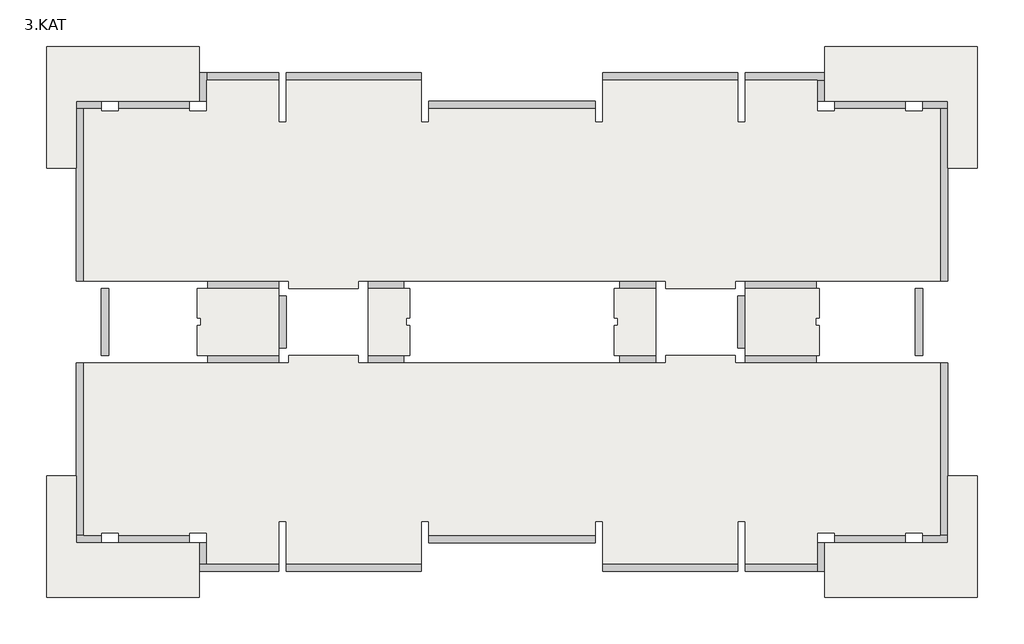
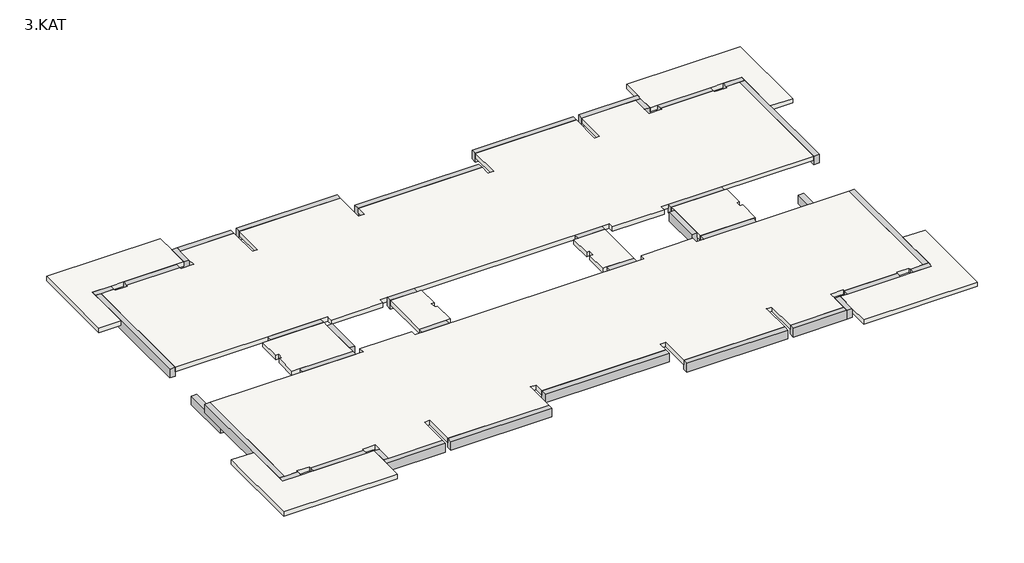
# One storey: 38 beams, 10 slabs.
"""IFC4 building model written with IfcOpenShell, lengths in millimetres."""

from ifc_helpers import new_model, si_unit, frame, origin, place, context, project, spatial, polyline, outline, extrude, faceted_brep, element, save

model = new_model("IFC4")

# Units and contexts
model_context = context("Model", 3, world=origin())
ifc_project = project(units=[si_unit("LENGTHUNIT", "METRE", prefix="MILLI")], contexts=[model_context])

# Site, building, storey
site = spatial("IfcSite", under=ifc_project)
building = spatial("IfcBuilding", under=site)
storey = spatial("IfcBuildingStorey", under=building, Name="3.KAT", Elevation=10000.0)

# Beams
placement = place(None, origin())
element("IfcBeam", 1, ObjectType="0300x0500mm", at=placement, inside=storey, context=model_context, shape_type="SweptSolid", body=[
    extrude(outline(polyline([(-3363.9153603, 12013.7202154), (-3363.9153603, 11713.7202154), (-8813.9168166, 11713.7202154), (-8813.9168166, 12013.7202154), (-3363.9153603, 12013.7202154)])), frame((0.0, 0.0, 9500.0), z_axis=(0.0, 0.0, 1.0), x_axis=(1.0, 0.0, 0.0)), (0.0, 0.0, 1.0), 500.0),
])
element("IfcBeam", 2, ObjectType="0300x0500mm", at=placement, inside=storey, context=model_context, shape_type="Brep", body=[
    faceted_brep([(3636.085408, 10863.7380253, 10000.0), (-3063.9160613, 10863.7380253, 10000.0), (-3063.9160613, 10563.7380253, 10000.0), (3636.085408, 10563.7380253, 10000.0), (-3063.9160613, 10563.7380253, 9750.0), (-3063.9160613, 10563.7380253, 9500.0), (3636.085408, 10563.7380253, 9500.0), (3636.085408, 10563.7380253, 9750.0), (-3063.9160613, 10863.7380253, 9500.0), (3636.085408, 10863.7380253, 9500.0)], [[[0, 1, 2, 3]], [[3, 2, 4, 5, 6, 7]], [[6, 5, 8, 9]], [[1, 0, 9, 8]], [[1, 8, 5, 4, 2]], [[0, 3, 7, 6, 9]]]),
])
element("IfcBeam", 3, ObjectType="0300x0500mm", at=placement, inside=storey, context=model_context, shape_type="SweptSolid", body=[
    extrude(outline(polyline([(9386.0205348, 12013.7202154), (9386.0205348, 11713.7202154), (3936.0190785, 11713.7202154), (3936.0190785, 12013.7202154), (9386.0205348, 12013.7202154)])), frame((0.0, 0.0, 9500.0), z_axis=(0.0, 0.0, 1.0), x_axis=(1.0, 0.0, 0.0)), (0.0, 0.0, 1.0), 500.0),
])
element("IfcBeam", 4, ObjectType="0300x0500mm", at=placement, inside=storey, context=model_context, shape_type="Brep", body=[
    faceted_brep([(9686.0846432, 12013.7202154, 10000.0), (9686.0846432, 11713.7202154, 10000.0), (12586.0195429, 11713.7202154, 10000.0), (12886.0195429, 11713.7202154, 10000.0), (12886.0195429, 12013.7202154, 10000.0), (9686.0846432, 11713.7202154, 9500.0), (12586.0195429, 11713.7202154, 9500.0), (12886.0195429, 11713.7202154, 9500.0), (9686.0846432, 12013.7202154, 9500.0), (12886.0195429, 12013.7202154, 9500.0)], [[[0, 1, 2, 3, 4]], [[1, 5, 6, 7, 3, 2]], [[5, 8, 9, 7, 6]], [[8, 0, 4, 9]], [[4, 3, 7, 9]], [[0, 8, 5, 1]]]),
])
element("IfcBeam", 5, ObjectType="0300x0500mm", at=placement, inside=storey, context=model_context, shape_type="Brep", body=[
    faceted_brep([(12886.0195429, 10863.734431, 10000.0), (12886.0195429, 11713.7202154, 10000.0), (12586.0195429, 11713.7202154, 10000.0), (12586.0195429, 10863.734431, 10000.0), (12586.0195429, 11713.7202154, 9750.0), (12586.0195429, 11713.7202154, 9500.0), (12586.0195429, 10863.734431, 9500.0), (12586.0195429, 10863.734431, 9750.0), (12886.0195429, 11713.7202154, 9500.0), (12886.0195429, 10863.734431, 9500.0)], [[[0, 1, 2, 3]], [[3, 2, 4, 5, 6, 7]], [[6, 5, 8, 9]], [[1, 0, 9, 8]], [[2, 1, 8, 5, 4]], [[0, 3, 7, 6, 9]]]),
])
element("IfcBeam", 6, ObjectType="0300x0500mm", at=placement, inside=storey, context=model_context, shape_type="Brep", body=[
    faceted_brep([(16136.0518591, 10863.7341752, 10000.0), (13286.0518591, 10863.7341752, 10000.0), (13286.0518591, 10563.7341752, 10000.0), (16136.0518591, 10563.7341752, 10000.0), (13286.0518591, 10563.7341752, 9750.0), (13286.0518591, 10563.7341752, 9500.0), (16136.0518591, 10563.7341752, 9500.0), (16136.0518591, 10563.7341752, 9750.0), (13286.0518591, 10863.7341752, 9500.0), (16136.0518591, 10863.7341752, 9500.0), (16136.0518591, 10863.7341752, 9750.0), (13286.0518591, 10863.7341752, 9750.0)], [[[0, 1, 2, 3]], [[3, 2, 4, 5, 6, 7]], [[6, 5, 8, 9]], [[1, 0, 10, 9, 8, 11]], [[0, 3, 7, 6, 9, 10]], [[8, 5, 4, 2, 1, 11]]]),
])
element("IfcBeam", 7, ObjectType="0300x0500mm", at=placement, inside=storey, context=model_context, shape_type="Brep", body=[
    faceted_brep([(17836.0513856, 10863.7341752, 10000.0), (16836.0513856, 10863.7341752, 10000.0), (16836.0513856, 10563.7341752, 10000.0), (17536.0197797, 10563.7341752, 10000.0), (17836.0513856, 10563.7341752, 10000.0), (16836.0513856, 10563.7341752, 9500.0), (17536.0513856, 10563.7341752, 9500.0), (17836.0513856, 10563.7341752, 9500.0), (17836.0513856, 10563.7341752, 9750.0), (16836.0513856, 10563.7341752, 9750.0), (16836.0513856, 10863.7341752, 9500.0), (17836.0513856, 10863.7341752, 9500.0), (17836.0513856, 10863.7341752, 9750.0), (16836.0513856, 10863.7341752, 9750.0)], [[[0, 1, 2, 3, 4]], [[5, 6, 7, 8, 4, 3, 2, 9]], [[7, 6, 5, 10, 11]], [[1, 0, 12, 11, 10, 13]], [[0, 4, 8, 7, 11, 12]], [[10, 5, 9, 2, 1, 13]]]),
])
element("IfcBeam", 8, ObjectType="0300x0500mm", at=placement, inside=storey, context=model_context, shape_type="Brep", body=[
    faceted_brep([(17836.0513856, 3613.7341795, 10000.0), (17536.0513856, 3613.7341795, 10000.0), (17536.0513856, 3613.7341795, 9500.0), (17836.0513856, 3613.7341795, 9500.0), (17836.0513856, 8163.7342066, 10000.0), (17836.0513856, 10563.7341752, 10000.0), (17536.0513856, 10563.7341752, 10000.0), (17536.0513856, 10563.7341752, 9500.0), (17836.0513856, 10563.7341752, 9500.0), (17836.0513856, 10563.7341752, 9750.0)], [[[0, 1, 2, 3]], [[1, 0, 4, 5, 6]], [[2, 1, 6, 7]], [[3, 2, 7, 8]], [[0, 3, 8, 9, 5, 4]], [[6, 5, 9, 8, 7]]]),
])
element("IfcBeam", 9, ObjectType="0300x0500mm", at=placement, inside=storey, context=model_context, shape_type="SweptSolid", body=[
    extrude(outline(polyline([(16836.0513856, 614.2366686), (16536.0513856, 614.2366686), (16536.0513856, 3313.2366686), (16836.0513856, 3313.2366686), (16836.0513856, 614.2366686)])), frame((0.0, 0.0, 7800.0), z_axis=(0.0, 0.0, 1.0), x_axis=(1.0, 0.0, 0.0)), (0.0, 0.0, 1.0), 500.0),
])
element("IfcBeam", 10, ObjectType="0300x0500mm", at=placement, inside=storey, context=model_context, shape_type="Brep", body=[
    faceted_brep([(16836.0222612, -6936.2658004, 10000.0), (17836.0513856, -6936.2658004, 10000.0), (17836.0513856, -6636.2658004, 10000.0), (17536.0197797, -6636.2658004, 10000.0), (16836.0222612, -6636.2658004, 10000.0), (17836.0513856, -6636.2658004, 9500.0), (17536.0513856, -6636.2658004, 9500.0), (16836.0222612, -6636.2658004, 9500.0), (16836.0222612, -6636.2658004, 9750.0), (17836.0513856, -6636.2658004, 9750.0), (17836.0513856, -6936.2658004, 9500.0), (16836.0222612, -6936.2658004, 9500.0), (16836.0222612, -6936.2658004, 9750.0), (17836.0513856, -6936.2658004, 9750.0)], [[[0, 1, 2, 3, 4]], [[5, 6, 7, 8, 4, 3, 2, 9]], [[7, 6, 5, 10, 11]], [[1, 0, 12, 11, 10, 13]], [[2, 1, 13, 10, 5, 9]], [[0, 4, 8, 7, 11, 12]]]),
])
element("IfcBeam", 11, ObjectType="0300x0500mm", at=placement, inside=storey, context=model_context, shape_type="Brep", body=[
    faceted_brep([(13286.0518591, -6936.2658004, 10000.0), (16136.0518591, -6936.2658004, 10000.0), (16136.0518591, -6636.2658004, 10000.0), (13286.0518591, -6636.2658004, 10000.0), (16136.0518591, -6636.2658004, 9750.0), (16136.0518591, -6636.2658004, 9500.0), (13286.0518591, -6636.2658004, 9500.0), (13286.0518591, -6636.2658004, 9750.0), (16136.0518591, -6936.2658004, 9500.0), (13286.0518591, -6936.2658004, 9500.0), (13286.0518591, -6936.2658004, 9750.0), (16136.0518591, -6936.2658004, 9750.0)], [[[0, 1, 2, 3]], [[3, 2, 4, 5, 6, 7]], [[6, 5, 8, 9]], [[1, 0, 10, 9, 8, 11]], [[0, 3, 7, 6, 9, 10]], [[8, 5, 4, 2, 1, 11]]]),
])
element("IfcBeam", 12, ObjectType="0300x0500mm", at=placement, inside=storey, context=model_context, shape_type="Brep", body=[
    faceted_brep([(12886.0195429, -8086.2529125, 10000.0), (12886.0195429, -6936.2657952, 10000.0), (12586.0195429, -6936.2657952, 10000.0), (12586.0195429, -7786.2657952, 10000.0), (12586.0195429, -8086.2529125, 10000.0), (12586.0195429, -6936.2657952, 9500.0), (12586.0195429, -7786.2529125, 9500.0), (12586.0195429, -8086.2529125, 9500.0), (12586.0195429, -6936.2657952, 9750.0), (12886.0195429, -6936.2657952, 9500.0), (12886.0195429, -8086.2529125, 9500.0)], [[[0, 1, 2, 3, 4]], [[5, 6, 7, 4, 3, 2, 8]], [[7, 6, 5, 9, 10]], [[1, 0, 10, 9]], [[0, 4, 7, 10]], [[1, 9, 5, 8, 2]]]),
])
element("IfcBeam", 13, ObjectType="0300x0500mm", at=placement, inside=storey, context=model_context, shape_type="SweptSolid", body=[
    extrude(outline(polyline([(9686.0196057, -8086.2529125), (9686.0196057, -7786.2529125), (12586.0195429, -7786.2529125), (12586.0195429, -8086.2529125), (9686.0196057, -8086.2529125)])), frame((0.0, 0.0, 9500.0), z_axis=(0.0, 0.0, 1.0), x_axis=(1.0, 0.0, 0.0)), (0.0, 0.0, 1.0), 500.0),
])
element("IfcBeam", 14, ObjectType="0300x0500mm", at=placement, inside=storey, context=model_context, shape_type="Brep", body=[
    faceted_brep([(3936.0846397, -7786.2529125, 10000.0), (3936.0846397, -8086.2529125, 10000.0), (9386.0846432, -8086.2529125, 10000.0), (9386.0846432, -7786.2529125, 10000.0), (3936.0846397, -7786.2529125, 9500.0), (3936.0846397, -7786.2529125, 9750.0), (9386.0846432, -7786.2529125, 9500.0), (3936.0846397, -8086.2529125, 9500.0), (9386.0846432, -8086.2529125, 9500.0)], [[[0, 1, 2, 3]], [[4, 5, 0, 3, 6]], [[7, 4, 6, 8]], [[1, 7, 8, 2]], [[2, 8, 6, 3]], [[1, 0, 5, 4, 7]]]),
])
element("IfcBeam", 15, ObjectType="0300x0500mm", at=placement, inside=storey, context=model_context, shape_type="Brep", body=[
    faceted_brep([(-3063.9160613, -6936.2657952, 10000.0), (3636.085408, -6936.2657952, 10000.0), (3636.085408, -6636.2657952, 10000.0), (-3063.9160613, -6636.2657952, 10000.0), (3636.085408, -6636.2657952, 9750.0), (3636.085408, -6636.2657952, 9500.0), (-3063.9160613, -6636.2657952, 9500.0), (-3063.9160613, -6636.2657952, 9750.0), (3636.085408, -6936.2657952, 9500.0), (-3063.9160613, -6936.2657952, 9500.0)], [[[0, 1, 2, 3]], [[3, 2, 4, 5, 6, 7]], [[6, 5, 8, 9]], [[1, 0, 9, 8]], [[0, 3, 7, 6, 9]], [[1, 8, 5, 4, 2]]]),
])
element("IfcBeam", 16, ObjectType="0300x0500mm", at=placement, inside=storey, context=model_context, shape_type="SweptSolid", body=[
    extrude(outline(polyline([(-8813.9160482, -8086.2657952), (-8813.9160482, -7786.2657952), (-3363.9145919, -7786.2657952), (-3363.9145919, -8086.2657952), (-8813.9160482, -8086.2657952)])), frame((0.0, 0.0, 9500.0), z_axis=(0.0, 0.0, 1.0), x_axis=(1.0, 0.0, 0.0)), (0.0, 0.0, 1.0), 500.0),
])
element("IfcBeam", 17, ObjectType="0300x0500mm", at=placement, inside=storey, context=model_context, shape_type="Brep", body=[
    faceted_brep([(-9113.9486144, -8086.2657952, 10000.0), (-9113.9486144, -7786.2657952, 10000.0), (-12013.9158247, -7786.2657952, 10000.0), (-12313.9158247, -7786.2657952, 10000.0), (-12313.9158247, -8086.2657952, 10000.0), (-9113.9486144, -7786.2657952, 9750.0), (-9113.9486144, -7786.2657952, 9500.0), (-12013.9158247, -7786.2657952, 9500.0), (-12313.9158247, -7786.2657952, 9500.0), (-9113.9486144, -8086.2657952, 9500.0), (-12313.9158247, -8086.2657952, 9500.0)], [[[0, 1, 2, 3, 4]], [[1, 5, 6, 7, 8, 3, 2]], [[6, 9, 10, 8, 7]], [[9, 0, 4, 10]], [[4, 3, 8, 10]], [[0, 9, 6, 5, 1]]]),
])
element("IfcBeam", 18, ObjectType="0300x0500mm", at=placement, inside=storey, context=model_context, shape_type="Brep", body=[
    faceted_brep([(-12313.9158247, -6936.2658194, 10000.0), (-12313.9158247, -7786.2657952, 10000.0), (-12013.9158247, -7786.2657952, 10000.0), (-12013.9158247, -6936.2658194, 10000.0), (-12013.9158247, -7786.2657952, 9750.0), (-12013.9158247, -7786.2657952, 9500.0), (-12013.9158247, -6936.2658194, 9500.0), (-12013.9158247, -6936.2658194, 9750.0), (-12313.9158247, -7786.2657952, 9500.0), (-12313.9158247, -6936.2658194, 9500.0)], [[[0, 1, 2, 3]], [[3, 2, 4, 5, 6, 7]], [[6, 5, 8, 9]], [[1, 0, 9, 8]], [[2, 1, 8, 5, 4]], [[0, 3, 7, 6, 9]]]),
])
element("IfcBeam", 19, ObjectType="0300x0500mm", at=placement, inside=storey, context=model_context, shape_type="Brep", body=[
    faceted_brep([(-15563.9158246, -6936.2657952, 10000.0), (-12713.9143553, -6936.2657952, 10000.0), (-12713.9143553, -6636.2657952, 10000.0), (-15563.9158246, -6636.2657952, 10000.0), (-12713.9143553, -6636.2657952, 9750.0), (-12713.9143553, -6636.2657952, 9500.0), (-15563.9158246, -6636.2657952, 9500.0), (-15563.9158246, -6636.2657952, 9750.0), (-12713.9143553, -6936.2657952, 9500.0), (-15563.9158246, -6936.2657952, 9500.0), (-15563.9158246, -6936.2657952, 9750.0), (-12713.9143553, -6936.2657952, 9750.0)], [[[0, 1, 2, 3]], [[3, 2, 4, 5, 6, 7]], [[6, 5, 8, 9]], [[1, 0, 10, 9, 8, 11]], [[0, 3, 7, 6, 9, 10]], [[8, 5, 4, 2, 1, 11]]]),
])
element("IfcBeam", 20, ObjectType="0300x0500mm", at=placement, inside=storey, context=model_context, shape_type="Brep", body=[
    faceted_brep([(-17263.9481409, -6936.2657952, 10000.0), (-16263.9481409, -6936.2657952, 10000.0), (-16263.9481409, -6636.2657952, 10000.0), (-16963.9160614, -6636.2657952, 10000.0), (-17263.9481409, -6636.2657952, 10000.0), (-16263.9481409, -6636.2657952, 9500.0), (-16963.9481409, -6636.2657952, 9500.0), (-17263.9481409, -6636.2657952, 9500.0), (-17263.9481409, -6636.2657952, 9750.0), (-16263.9481409, -6636.2657952, 9750.0), (-16263.9481409, -6936.2657952, 9500.0), (-17263.9481409, -6936.2657952, 9500.0), (-17263.9481409, -6936.2657952, 9750.0), (-16263.9481409, -6936.2657952, 9750.0)], [[[0, 1, 2, 3, 4]], [[5, 6, 7, 8, 4, 3, 2, 9]], [[7, 6, 5, 10, 11]], [[1, 0, 12, 11, 10, 13]], [[0, 4, 8, 7, 11, 12]], [[10, 5, 9, 2, 1, 13]]]),
])
element("IfcBeam", 21, ObjectType="0300x0500mm", at=placement, inside=storey, context=model_context, shape_type="Brep", body=[
    faceted_brep([(-17263.9481409, 313.2341948, 10000.0), (-16963.9481409, 313.2341948, 10000.0), (-16963.9481409, 313.2341948, 9500.0), (-17263.9481409, 313.2341948, 9500.0), (-17263.9481409, -4236.2658351, 10000.0), (-17263.9481409, -6636.2657952, 10000.0), (-16963.9481409, -6636.2657952, 10000.0), (-16963.9481409, -6636.2657952, 9750.0), (-16963.9481409, -6636.2657952, 9500.0), (-17263.9481409, -6636.2657952, 9500.0), (-17263.9481409, -6636.2657952, 9750.0)], [[[0, 1, 2, 3]], [[1, 0, 4, 5, 6]], [[2, 1, 6, 7, 8]], [[3, 2, 8, 9]], [[0, 3, 9, 10, 5, 4]], [[6, 5, 10, 9, 8, 7]]]),
])
element("IfcBeam", 22, ObjectType="0300x0500mm", at=placement, inside=storey, context=model_context, shape_type="SweptSolid", body=[
    extrude(outline(polyline([(-16263.9481409, 3313.7341847), (-15963.9481409, 3313.7341847), (-15963.9481409, 613.7341847), (-16263.9481409, 613.7341847), (-16263.9481409, 3313.7341847)])), frame((0.0, 0.0, 7800.0), z_axis=(0.0, 0.0, 1.0), x_axis=(1.0, 0.0, 0.0)), (0.0, 0.0, 1.0), 500.0),
])
element("IfcBeam", 23, ObjectType="0300x0500mm", at=placement, inside=storey, context=model_context, shape_type="Brep", body=[
    faceted_brep([(-16263.9143553, 10863.7341837, 10000.0), (-17263.9481409, 10863.7341837, 10000.0), (-17263.9481409, 10563.7341837, 10000.0), (-16963.9481409, 10563.7341837, 10000.0), (-16263.9143553, 10563.7341837, 10000.0), (-16263.9143553, 10863.7341837, 9750.0), (-16263.9143553, 10863.7341837, 9500.0), (-17263.9481409, 10863.7341837, 9500.0), (-17263.9481409, 10863.7341837, 9750.0), (-16263.9143553, 10563.7341837, 9500.0), (-16963.9481409, 10563.7341837, 9500.0), (-17263.9481409, 10563.7341837, 9500.0), (-16263.9143553, 10563.7341837, 9750.0), (-17263.9481409, 10563.7341837, 9750.0)], [[[0, 1, 2, 3, 4]], [[1, 0, 5, 6, 7, 8]], [[7, 6, 9, 10, 11]], [[11, 10, 9, 12, 4, 3, 2, 13]], [[2, 1, 8, 7, 11, 13]], [[9, 6, 5, 0, 4, 12]]]),
])
element("IfcBeam", 24, ObjectType="0300x0500mm", at=placement, inside=storey, context=model_context, shape_type="Brep", body=[
    faceted_brep([(-12713.9143553, 10863.7341752, 10000.0), (-15563.9158246, 10863.7341752, 10000.0), (-15563.9158246, 10563.7341752, 10000.0), (-12713.9143553, 10563.7341752, 10000.0), (-15563.9158246, 10563.7341752, 9750.0), (-15563.9158246, 10563.7341752, 9500.0), (-12713.9143553, 10563.7341752, 9500.0), (-12713.9143553, 10563.7341752, 9750.0), (-15563.9158246, 10863.7341752, 9500.0), (-12713.9143553, 10863.7341752, 9500.0), (-12713.9143553, 10863.7341752, 9750.0), (-15563.9158246, 10863.7341752, 9750.0)], [[[0, 1, 2, 3]], [[3, 2, 4, 5, 6, 7]], [[6, 5, 8, 9]], [[1, 0, 10, 9, 8, 11]], [[0, 3, 7, 6, 9, 10]], [[8, 5, 4, 2, 1, 11]]]),
])
element("IfcBeam", 25, ObjectType="0300x0500mm", at=placement, inside=storey, context=model_context, shape_type="Brep", body=[
    faceted_brep([(-12313.9158247, 12013.7202154, 10000.0), (-12313.9158247, 10863.7341752, 10000.0), (-12013.9158247, 10863.7341752, 10000.0), (-12013.9158247, 11713.7202154, 10000.0), (-12013.9158247, 12013.7202154, 10000.0), (-12013.9158247, 10863.7341752, 9500.0), (-12013.9158247, 11713.7202154, 9500.0), (-12013.9158247, 12013.7202154, 9500.0), (-12013.9158247, 10863.7341752, 9750.0), (-12313.9158247, 10863.7341752, 9500.0), (-12313.9158247, 12013.7202154, 9500.0)], [[[0, 1, 2, 3, 4]], [[5, 6, 7, 4, 3, 2, 8]], [[7, 6, 5, 9, 10]], [[1, 0, 10, 9]], [[0, 4, 7, 10]], [[1, 9, 5, 8, 2]]]),
])
element("IfcBeam", 26, ObjectType="0300x0500mm", at=placement, inside=storey, context=model_context, shape_type="Brep", body=[
    faceted_brep([(-9114.4483776, 3613.7341847, 10000.0), (-9114.4483776, 3313.7341847, 10000.0), (-9114.4483776, 3313.7341847, 9500.0), (-9114.4483776, 3613.7341847, 9500.0), (-9114.4483776, 3613.7341847, 9750.0), (-11963.4483776, 3613.7341847, 9500.0), (-11963.4483776, 3313.7341847, 9500.0), (-11963.4483776, 3313.7341847, 10000.0), (-11963.4483776, 3613.7341847, 10000.0), (-11963.4483776, 3613.7341847, 9750.0)], [[[0, 1, 2, 3, 4]], [[5, 6, 7, 8, 9]], [[1, 0, 8, 7]], [[2, 1, 7, 6]], [[3, 2, 6, 5]], [[8, 0, 4, 3, 5, 9]]]),
])
element("IfcBeam", 27, ObjectType="0300x0500mm", at=placement, inside=storey, context=model_context, shape_type="Brep", body=[
    faceted_brep([(-9114.4483776, 613.7341847, 10000.0), (-9114.4483776, 313.7341847, 10000.0), (-9114.4483776, 313.7341847, 9750.0), (-9114.4483776, 313.7341847, 9500.0), (-9114.4483776, 613.7341847, 9500.0), (-11963.4483776, 613.7341847, 10000.0), (-11963.4483776, 613.7341847, 9500.0), (-11963.4483776, 313.7341847, 9500.0), (-11963.4483776, 313.7341847, 9750.0), (-11963.4483776, 313.7341847, 10000.0)], [[[0, 1, 2, 3, 4]], [[5, 6, 7, 8, 9]], [[1, 0, 5, 9]], [[1, 9, 8, 7, 3, 2]], [[4, 3, 7, 6]], [[0, 4, 6, 5]]]),
])
element("IfcBeam", 28, ObjectType="0300x0500mm", at=placement, inside=storey, context=model_context, shape_type="SweptSolid", body=[
    extrude(outline(polyline([(-8813.9486144, 913.7387772), (-9113.9486144, 913.7387772), (-9113.9486144, 3013.7387772), (-8813.9486144, 3013.7387772), (-8813.9486144, 913.7387772)])), frame((0.0, 0.0, 9500.0), z_axis=(0.0, 0.0, 1.0), x_axis=(1.0, 0.0, 0.0)), (0.0, 0.0, 1.0), 500.0),
])
element("IfcBeam", 29, ObjectType="0300x0500mm", at=placement, inside=storey, context=model_context, shape_type="SweptSolid", body=[
    extrude(outline(polyline([(-5513.9486144, 3313.7352433), (-5513.9486144, 3613.7352433), (-4064.9486144, 3613.7352433), (-4064.9486144, 3313.7352433), (-5513.9486144, 3313.7352433)])), frame((0.0, 0.0, 9500.0), z_axis=(0.0, 0.0, 1.0), x_axis=(1.0, 0.0, 0.0)), (0.0, 0.0, 1.0), 500.0),
])
element("IfcBeam", 30, ObjectType="0300x0500mm", at=placement, inside=storey, context=model_context, shape_type="SweptSolid", body=[
    extrude(outline(polyline([(-5513.9486144, 313.7381043), (-5513.9486144, 613.7381043), (-4064.9486144, 613.7381043), (-4064.9486144, 313.7381043), (-5513.9486144, 313.7381043)])), frame((0.0, 0.0, 9500.0), z_axis=(0.0, 0.0, 1.0), x_axis=(1.0, 0.0, 0.0)), (0.0, 0.0, 1.0), 500.0),
])
element("IfcBeam", 31, ObjectType="0300x0500mm", at=placement, inside=storey, context=model_context, shape_type="SweptSolid", body=[
    extrude(outline(polyline([(6085.5514079, 3613.7352433), (6085.5514079, 3313.7352433), (4636.5514079, 3313.7352433), (4636.5514079, 3613.7352433), (6085.5514079, 3613.7352433)])), frame((0.0, 0.0, 9500.0), z_axis=(0.0, 0.0, 1.0), x_axis=(1.0, 0.0, 0.0)), (0.0, 0.0, 1.0), 500.0),
])
element("IfcBeam", 32, ObjectType="0300x0500mm", at=placement, inside=storey, context=model_context, shape_type="SweptSolid", body=[
    extrude(outline(polyline([(6085.5514079, 613.7381043), (6085.5514079, 313.7381043), (4636.5514079, 313.7381043), (4636.5514079, 613.7381043), (6085.5514079, 613.7381043)])), frame((0.0, 0.0, 9500.0), z_axis=(0.0, 0.0, 1.0), x_axis=(1.0, 0.0, 0.0)), (0.0, 0.0, 1.0), 500.0),
])
element("IfcBeam", 33, ObjectType="0300x0500mm", at=placement, inside=storey, context=model_context, shape_type="SweptSolid", body=[
    extrude(outline(polyline([(9686.0680129, 313.7341847), (9686.0680129, 613.7341847), (12536.0680129, 613.7341847), (12536.0680129, 313.7341847), (9686.0680129, 313.7341847)])), frame((0.0, 0.0, 9500.0), z_axis=(0.0, 0.0, 1.0), x_axis=(1.0, 0.0, 0.0)), (0.0, 0.0, 1.0), 500.0),
])
element("IfcBeam", 34, ObjectType="0300x0500mm", at=placement, inside=storey, context=model_context, shape_type="Brep", body=[
    faceted_brep([(9686.0513856, 3313.7341847, 10000.0), (9686.0513856, 3613.7341847, 10000.0), (9686.0513856, 3613.7341847, 9500.0), (9686.0513856, 3313.7341847, 9500.0), (9686.0513856, 3313.7341847, 9750.0), (12536.0513856, 3313.7341847, 10000.0), (12536.0513856, 3313.7341847, 9500.0), (12536.0513856, 3613.7341847, 9500.0), (12536.0513856, 3613.7341847, 10000.0)], [[[0, 1, 2, 3, 4]], [[5, 6, 7, 8]], [[1, 0, 5, 8]], [[2, 1, 8, 7]], [[3, 2, 7, 6]], [[0, 4, 3, 6, 5]]]),
])
element("IfcBeam", 35, ObjectType="0300x0500mm", at=placement, inside=storey, context=model_context, shape_type="SweptSolid", body=[
    extrude(outline(polyline([(9686.0513856, 914.2298782), (9386.0513856, 914.2298782), (9386.0513856, 3013.2298782), (9686.0513856, 3013.2298782), (9686.0513856, 914.2298782)])), frame((0.0, 0.0, 9500.0), z_axis=(0.0, 0.0, 1.0), x_axis=(1.0, 0.0, 0.0)), (0.0, 0.0, 1.0), 500.0),
])
element("IfcBeam", 36, ObjectType="0300x0500mm", at=placement, inside=storey, context=model_context, shape_type="Brep", body=[
    faceted_brep([(-9113.9486144, 11713.7202154, 10000.0), (-9113.9486144, 12013.7202154, 10000.0), (-12013.9158247, 12013.7202154, 10000.0), (-12013.9158247, 11713.7202154, 10000.0), (-9113.9486144, 12013.7202154, 9500.0), (-12013.9158247, 12013.7202154, 9500.0), (-9113.9486144, 11713.7202154, 9500.0), (-12013.9158247, 11713.7202154, 9500.0), (-9113.9486144, 11713.7202154, 9750.0)], [[[0, 1, 2, 3]], [[1, 4, 5, 2]], [[4, 6, 7, 5]], [[6, 8, 0, 3, 7]], [[3, 2, 5, 7]], [[0, 8, 6, 4, 1]]]),
])
element("IfcBeam", 37, ObjectType="0300x0500mm", at=placement, inside=storey, context=model_context, shape_type="Brep", body=[
    faceted_brep([(17836.0513856, 313.7366765, 10000.0), (17836.0513856, 313.7366765, 9500.0), (17536.0513856, 313.7366765, 9500.0), (17536.0513856, 313.7366765, 10000.0), (17536.0513856, -6636.2658004, 10000.0), (17836.0513856, -6636.2658004, 10000.0), (17836.0513856, -4236.2658371, 10000.0), (17536.0513856, -6636.2658004, 9500.0), (17536.0513856, -6636.2658004, 9750.0), (17836.0513856, -6636.2658004, 9500.0), (17836.0513856, -6636.2658004, 9750.0)], [[[0, 1, 2, 3]], [[0, 3, 4, 5, 6]], [[3, 2, 7, 8, 4]], [[2, 1, 9, 7]], [[1, 0, 6, 5, 10, 9]], [[5, 4, 8, 7, 9, 10]]]),
])
element("IfcBeam", 38, ObjectType="0300x0500mm", at=placement, inside=storey, context=model_context, shape_type="Brep", body=[
    faceted_brep([(-16963.9481409, 3613.7341837, 10000.0), (-17263.9481409, 3613.7341837, 10000.0), (-17263.9481409, 3613.7341837, 9500.0), (-16963.9481409, 3613.7341837, 9500.0), (-16963.9481409, 10563.7341837, 10000.0), (-16963.9481409, 10563.7341837, 9500.0), (-17263.9481409, 10563.7341837, 9500.0), (-17263.9481409, 10563.7341837, 9750.0), (-17263.9481409, 10563.7341837, 10000.0), (-17263.9481409, 8163.7342045, 10000.0)], [[[0, 1, 2, 3]], [[4, 5, 6, 7, 8]], [[1, 0, 4, 8, 9]], [[2, 1, 9, 8, 7, 6]], [[3, 2, 6, 5]], [[0, 3, 5, 4]]]),
])

# Slabs
element("IfcSlab", 39, at=placement, inside=storey, context=model_context, shape_type="Brep", body=[
    faceted_brep([(-16263.9481409, 10563.7341698, 9750.0), (-16263.9481409, 10463.7341838, 9750.0), (-15563.9481409, 10463.7341838, 9750.0), (-15563.9481409, 10563.7341698, 9750.0), (-12713.9481409, 10563.7341698, 9750.0), (-12713.9481409, 10463.7341838, 9750.0), (-12013.9481409, 10463.7341838, 9750.0), (-12013.9481409, 11713.7202154, 9750.0), (-9113.9486144, 11713.7202154, 9750.0), (-9113.9486144, 10013.7339375, 9750.0), (-8813.9486144, 10013.7339375, 9750.0), (-8813.9486144, 11713.7202154, 9750.0), (-3363.9486144, 11713.7202154, 9750.0), (-3363.9486144, 10013.7339375, 9750.0), (-3063.9486144, 10013.7339375, 9750.0), (-3063.9486144, 10563.7341837, 9750.0), (3636.0846397, 10563.7341837, 9750.0), (3636.0846397, 10013.7339375, 9750.0), (3936.0846397, 10013.7339375, 9750.0), (3936.0846397, 11713.7202154, 9750.0), (9386.0513856, 11713.7202154, 9750.0), (9386.0513856, 10013.7339375, 9750.0), (9686.0513856, 10013.7339375, 9750.0), (9686.0513856, 11713.7202154, 9750.0), (12586.0195429, 11713.7202154, 9750.0), (12586.0195429, 10463.7341838, 9750.0), (13286.0518591, 10463.7341838, 9750.0), (13286.0518591, 10563.7341837, 9750.0), (16136.0518591, 10563.7341837, 9750.0), (16136.0518591, 10463.7341838, 9750.0), (16836.0518591, 10463.7341838, 9750.0), (16836.0518591, 10563.7341837, 9750.0), (17536.0197797, 10563.7341837, 9750.0), (17536.0197797, 3613.7341837, 9750.0), (9286.0515745, 3613.7341837, 9750.0), (9286.0515745, 3313.7509789, 9750.0), (6486.0513856, 3313.7509789, 9750.0), (6486.0513856, 3613.7341837, 9750.0), (-5913.9408939, 3613.7341837, 9750.0), (-5913.9408939, 3313.7471696, 9750.0), (-8713.9486144, 3313.7471696, 9750.0), (-8713.9486144, 3613.7341847, 9750.0), (-16963.9481409, 3613.7341847, 9750.0), (-16963.9481409, 10563.7341698, 9750.0), (-16263.9481409, 10563.7341698, 10000.0), (-16963.9481409, 10563.7341698, 10000.0), (-16963.9481409, 3613.7341847, 10000.0), (-11963.4483776, 3613.7341847, 10000.0), (-9114.4483776, 3613.7341847, 10000.0), (-8713.9486144, 3613.7341847, 10000.0), (-8713.9486144, 3313.7471696, 10000.0), (-5913.9408939, 3313.7471696, 10000.0), (-5913.9408939, 3613.7341837, 10000.0), (6486.0513856, 3613.7341837, 10000.0), (6486.0513856, 3313.7509789, 10000.0), (9286.0515745, 3313.7509789, 10000.0), (9286.0515745, 3613.7341837, 10000.0), (17536.0197797, 3613.7341837, 10000.0), (17536.0197797, 10563.7341837, 10000.0), (16836.0518591, 10563.7341837, 10000.0), (16836.0518591, 10463.7341838, 10000.0), (16136.0518591, 10463.7341838, 10000.0), (16136.0518591, 10563.7341837, 10000.0), (13286.0518591, 10563.7341837, 10000.0), (13286.0518591, 10463.7341838, 10000.0), (12586.0195429, 10463.7341838, 10000.0), (12586.0195429, 10863.7341838, 10000.0), (12586.0195429, 11713.7202154, 10000.0), (9686.0513856, 11713.7202154, 10000.0), (9686.0513856, 10013.7339375, 10000.0), (9386.0513856, 10013.7339375, 10000.0), (9386.0513856, 11713.7202154, 10000.0), (3936.0846397, 11713.7202154, 10000.0), (3936.0846397, 10013.7339375, 10000.0), (3636.0846397, 10013.7339375, 10000.0), (3636.0846397, 10563.7341837, 10000.0), (-3063.9486144, 10563.7341837, 10000.0), (-3063.9486144, 10013.7339375, 10000.0), (-3363.9486144, 10013.7339375, 10000.0), (-3363.9486144, 11713.7202154, 10000.0), (-8813.9486144, 11713.7202154, 10000.0), (-8813.9486144, 10013.7339375, 10000.0), (-9113.9486144, 10013.7339375, 10000.0), (-9113.9486144, 11713.7202154, 10000.0), (-12013.9481409, 11713.7202154, 10000.0), (-12013.9481409, 10863.7341838, 10000.0), (-12013.9481409, 10463.7341838, 10000.0), (-12713.9481409, 10463.7341838, 10000.0), (-12713.9481409, 10563.7341698, 10000.0), (-15563.9481409, 10563.7341698, 10000.0), (-15563.9481409, 10463.7341838, 10000.0), (-16263.9481409, 10463.7341838, 10000.0)], [[[0, 1, 2, 3, 4, 5, 6, 7, 8, 9, 10, 11, 12, 13, 14, 15, 16, 17, 18, 19, 20, 21, 22, 23, 24, 25, 26, 27, 28, 29, 30, 31, 32, 33, 34, 35, 36, 37, 38, 39, 40, 41, 42, 43]], [[44, 45, 46, 47, 48, 49, 50, 51, 52, 53, 54, 55, 56, 57, 58, 59, 60, 61, 62, 63, 64, 65, 66, 67, 68, 69, 70, 71, 72, 73, 74, 75, 76, 77, 78, 79, 80, 81, 82, 83, 84, 85, 86, 87, 88, 89, 90, 91]], [[1, 0, 44, 91]], [[2, 1, 91, 90]], [[3, 2, 90, 89]], [[4, 3, 89, 88]], [[5, 4, 88, 87]], [[6, 5, 87, 86]], [[7, 6, 86, 85, 84]], [[8, 7, 84, 83]], [[9, 8, 83, 82]], [[10, 9, 82, 81]], [[11, 10, 81, 80]], [[12, 11, 80, 79]], [[13, 12, 79, 78]], [[14, 13, 78, 77]], [[15, 14, 77, 76]], [[16, 15, 76, 75]], [[17, 16, 75, 74]], [[18, 17, 74, 73]], [[19, 18, 73, 72]], [[20, 19, 72, 71]], [[21, 20, 71, 70]], [[22, 21, 70, 69]], [[23, 22, 69, 68]], [[24, 23, 68, 67]], [[25, 24, 67, 66, 65]], [[26, 25, 65, 64]], [[27, 26, 64, 63]], [[28, 27, 63, 62]], [[29, 28, 62, 61]], [[30, 29, 61, 60]], [[31, 30, 60, 59]], [[32, 31, 59, 58]], [[33, 32, 58, 57]], [[34, 33, 57, 56]], [[35, 34, 56, 55]], [[36, 35, 55, 54]], [[37, 36, 54, 53]], [[38, 37, 53, 52]], [[39, 38, 52, 51]], [[40, 39, 51, 50]], [[41, 40, 50, 49]], [[42, 41, 49, 48, 47, 46]], [[43, 42, 46, 45]], [[0, 43, 45, 44]]]),
])
element("IfcSlab", 40, at=placement, inside=storey, context=model_context, shape_type="Brep", body=[
    faceted_brep([(-8713.9486144, 313.7341847, 9750.0), (-8713.9486144, 613.7303849, 9750.0), (-5913.9408939, 613.7303849, 9750.0), (-5913.9408939, 313.7391534, 9750.0), (6486.0513856, 313.7391534, 9750.0), (6486.0513856, 613.7391534, 9750.0), (9286.0515745, 613.7391534, 9750.0), (9286.0515745, 313.7342048, 9750.0), (17536.0197797, 313.7342048, 9750.0), (17536.0197797, -6636.2658004, 9750.0), (16836.0518591, -6636.2658004, 9750.0), (16836.0518591, -6536.2657952, 9750.0), (16136.0518591, -6536.2657952, 9750.0), (16136.0518591, -6636.2658004, 9750.0), (13286.0518591, -6636.2658004, 9750.0), (13286.0518591, -6536.2657952, 9750.0), (12586.0518591, -6536.2657952, 9750.0), (12586.0518591, -7786.2657952, 9750.0), (9686.0513856, -7786.2657952, 9750.0), (9686.0513856, -6086.2657952, 9750.0), (9386.0513856, -6086.2657952, 9750.0), (9386.0513856, -7786.2657952, 9750.0), (3936.0846397, -7786.2657952, 9750.0), (3936.0846397, -6086.2657952, 9750.0), (3636.0846397, -6086.2657952, 9750.0), (3636.0846397, -6636.2657952, 9750.0), (-3063.9486144, -6636.2657952, 9750.0), (-3063.9486144, -6086.2657952, 9750.0), (-3363.9486144, -6086.2657952, 9750.0), (-3363.9486144, -7786.2657952, 9750.0), (-8813.9486144, -7786.2657952, 9750.0), (-8813.9486144, -6086.2657952, 9750.0), (-9113.9486144, -6086.2657952, 9750.0), (-9113.9486144, -7786.2657952, 9750.0), (-12013.9158247, -7786.2657952, 9750.0), (-12013.9158247, -6536.2657952, 9750.0), (-12713.9481409, -6536.2657952, 9750.0), (-12713.9481409, -6636.2657952, 9750.0), (-15563.9481409, -6636.2657952, 9750.0), (-15563.9481409, -6536.2657952, 9750.0), (-16263.9481409, -6536.2657952, 9750.0), (-16263.9481409, -6636.2657952, 9750.0), (-16963.9160614, -6636.2657952, 9750.0), (-16963.9160614, 313.7341847, 9750.0), (-8713.9486144, 313.7341847, 10000.0), (-9114.4483776, 313.7341847, 10000.0), (-11963.4483776, 313.7341847, 10000.0), (-16963.9160614, 313.7341847, 10000.0), (-16963.9160614, 313.2341948, 10000.0), (-16963.9160614, -6636.2657952, 10000.0), (-16263.9481409, -6636.2657952, 10000.0), (-16263.9481409, -6536.2657952, 10000.0), (-15563.9481409, -6536.2657952, 10000.0), (-15563.9481409, -6636.2657952, 10000.0), (-12713.9481409, -6636.2657952, 10000.0), (-12713.9481409, -6536.2657952, 10000.0), (-12013.9158247, -6536.2657952, 10000.0), (-12013.9158247, -6936.2657952, 10000.0), (-12013.9158247, -7786.2657952, 10000.0), (-9113.9486144, -7786.2657952, 10000.0), (-9113.9486144, -6086.2657952, 10000.0), (-8813.9486144, -6086.2657952, 10000.0), (-8813.9486144, -7786.2657952, 10000.0), (-3363.9486144, -7786.2657952, 10000.0), (-3363.9486144, -6086.2657952, 10000.0), (-3063.9486144, -6086.2657952, 10000.0), (-3063.9486144, -6636.2657952, 10000.0), (3636.0846397, -6636.2657952, 10000.0), (3636.0846397, -6086.2657952, 10000.0), (3936.0846397, -6086.2657952, 10000.0), (3936.0846397, -7786.2657952, 10000.0), (9386.0513856, -7786.2657952, 10000.0), (9386.0513856, -6086.2657952, 10000.0), (9686.0513856, -6086.2657952, 10000.0), (9686.0513856, -7786.2657952, 10000.0), (12586.0518591, -7786.2657952, 10000.0), (12586.0518591, -6936.2657952, 10000.0), (12586.0518591, -6536.2657952, 10000.0), (13286.0518591, -6536.2657952, 10000.0), (13286.0518591, -6636.2658004, 10000.0), (16136.0518591, -6636.2658004, 10000.0), (16136.0518591, -6536.2657952, 10000.0), (16836.0518591, -6536.2657952, 10000.0), (16836.0518591, -6636.2658004, 10000.0), (17536.0197797, -6636.2658004, 10000.0), (17536.0197797, 313.7342048, 10000.0), (9286.0515745, 313.7342048, 10000.0), (9286.0515745, 613.7391534, 10000.0), (6486.0513856, 613.7391534, 10000.0), (6486.0513856, 313.7391534, 10000.0), (-5913.9408939, 313.7391534, 10000.0), (-5913.9408939, 613.7303849, 10000.0), (-8713.9486144, 613.7303849, 10000.0)], [[[0, 1, 2, 3, 4, 5, 6, 7, 8, 9, 10, 11, 12, 13, 14, 15, 16, 17, 18, 19, 20, 21, 22, 23, 24, 25, 26, 27, 28, 29, 30, 31, 32, 33, 34, 35, 36, 37, 38, 39, 40, 41, 42, 43]], [[44, 45, 46, 47, 48, 49, 50, 51, 52, 53, 54, 55, 56, 57, 58, 59, 60, 61, 62, 63, 64, 65, 66, 67, 68, 69, 70, 71, 72, 73, 74, 75, 76, 77, 78, 79, 80, 81, 82, 83, 84, 85, 86, 87, 88, 89, 90, 91, 92]], [[1, 0, 44, 92]], [[2, 1, 92, 91]], [[3, 2, 91, 90]], [[4, 3, 90, 89]], [[5, 4, 89, 88]], [[6, 5, 88, 87]], [[7, 6, 87, 86]], [[8, 7, 86, 85]], [[9, 8, 85, 84]], [[10, 9, 84, 83]], [[11, 10, 83, 82]], [[12, 11, 82, 81]], [[13, 12, 81, 80]], [[14, 13, 80, 79]], [[15, 14, 79, 78]], [[16, 15, 78, 77]], [[17, 16, 77, 76, 75]], [[18, 17, 75, 74]], [[19, 18, 74, 73]], [[20, 19, 73, 72]], [[21, 20, 72, 71]], [[22, 21, 71, 70]], [[23, 22, 70, 69]], [[24, 23, 69, 68]], [[25, 24, 68, 67]], [[26, 25, 67, 66]], [[27, 26, 66, 65]], [[28, 27, 65, 64]], [[29, 28, 64, 63]], [[30, 29, 63, 62]], [[31, 30, 62, 61]], [[32, 31, 61, 60]], [[33, 32, 60, 59]], [[34, 33, 59, 58]], [[35, 34, 58, 57, 56]], [[36, 35, 56, 55]], [[37, 36, 55, 54]], [[38, 37, 54, 53]], [[39, 38, 53, 52]], [[40, 39, 52, 51]], [[41, 40, 51, 50]], [[42, 41, 50, 49]], [[43, 42, 49, 48, 47]], [[0, 43, 47, 46, 45, 44]]]),
])
element("IfcSlab", 41, at=placement, inside=storey, context=model_context, shape_type="Brep", body=[
    faceted_brep([(-9113.9486144, 3313.7341837, 9750.0), (-9113.9486144, 613.7342048, 9750.0), (-12393.9153604, 613.7342048, 9750.0), (-12393.9153604, 1813.7341847, 9750.0), (-12243.9153604, 1813.7341847, 9750.0), (-12243.9153604, 2113.7341847, 9750.0), (-12393.9153604, 2113.7341847, 9750.0), (-12393.9153604, 3313.7341837, 9750.0), (-9113.9486144, 3313.7341837, 10000.0), (-12393.9153604, 3313.7341837, 10000.0), (-12393.9153604, 2113.7341847, 10000.0), (-12243.9153604, 2113.7341847, 10000.0), (-12243.9153604, 1813.7341847, 10000.0), (-12393.9153604, 1813.7341847, 10000.0), (-12393.9153604, 613.7342048, 10000.0), (-9113.9486144, 613.7342048, 10000.0), (-9113.9486144, 913.7387772, 10000.0), (-9113.9486144, 3013.7387772, 10000.0)], [[[0, 1, 2, 3, 4, 5, 6, 7]], [[8, 9, 10, 11, 12, 13, 14, 15, 16, 17]], [[1, 0, 8, 17, 16, 15]], [[2, 1, 15, 14]], [[3, 2, 14, 13]], [[0, 7, 9, 8]], [[4, 3, 13, 12]], [[5, 4, 12, 11]], [[6, 5, 11, 10]], [[7, 6, 10, 9]]]),
])
element("IfcSlab", 42, at=placement, inside=storey, context=model_context, shape_type="Brep", body=[
    faceted_brep([(9686.0513856, 3313.7341847, 9750.0), (12666.0846401, 3313.7341847, 9750.0), (12666.0846401, 2113.7341847, 9750.0), (12516.0846401, 2113.7341847, 9750.0), (12516.0846401, 1813.7341847, 9750.0), (12666.0846401, 1813.7341847, 9750.0), (12666.0846401, 613.7341847, 9750.0), (9686.0513856, 613.7341847, 9750.0), (9686.0513856, 3313.7341847, 10000.0), (9686.0513856, 3013.2298782, 10000.0), (9686.0513856, 914.2298782, 10000.0), (9686.0513856, 613.7341847, 10000.0), (12536.0680129, 613.7341847, 10000.0), (12666.0846401, 613.7341847, 10000.0), (12666.0846401, 1813.7341847, 10000.0), (12516.0846401, 1813.7341847, 10000.0), (12516.0846401, 2113.7341847, 10000.0), (12666.0846401, 2113.7341847, 10000.0), (12666.0846401, 3313.7341847, 10000.0), (12536.0513856, 3313.7341847, 10000.0)], [[[0, 1, 2, 3, 4, 5, 6, 7]], [[8, 9, 10, 11, 12, 13, 14, 15, 16, 17, 18, 19]], [[0, 7, 11, 10, 9, 8]], [[7, 6, 13, 12, 11]], [[6, 5, 14, 13]], [[1, 0, 8, 19, 18]], [[5, 4, 15, 14]], [[4, 3, 16, 15]], [[3, 2, 17, 16]], [[2, 1, 18, 17]]]),
])
element("IfcSlab", 43, at=placement, inside=storey, context=model_context, shape_type="Brep", body=[
    faceted_brep([(-5513.9470928, 3313.7352433, 9750.0), (-3833.9153602, 3313.7352433, 9750.0), (-3833.9153602, 2113.7341847, 9750.0), (-3983.9153602, 2113.7341847, 9750.0), (-3983.9153602, 1813.7341847, 9750.0), (-3833.9153602, 1813.7341847, 9750.0), (-3833.9153602, 613.7381043, 9750.0), (-5513.9470928, 613.7381043, 9750.0), (-5513.9470928, 3313.7352433, 10000.0), (-5513.9470928, 613.7381043, 10000.0), (-4064.9486144, 613.7381043, 10000.0), (-3833.9153602, 613.7381043, 10000.0), (-3833.9153602, 1813.7341847, 10000.0), (-3983.9153602, 1813.7341847, 10000.0), (-3983.9153602, 2113.7341847, 10000.0), (-3833.9153602, 2113.7341847, 10000.0), (-3833.9153602, 3313.7352433, 10000.0), (-4064.9486144, 3313.7352433, 10000.0)], [[[0, 1, 2, 3, 4, 5, 6, 7]], [[8, 9, 10, 11, 12, 13, 14, 15, 16, 17]], [[1, 0, 8, 17, 16]], [[2, 1, 16, 15]], [[3, 2, 15, 14]], [[4, 3, 14, 13]], [[5, 4, 13, 12]], [[6, 5, 12, 11]], [[7, 6, 11, 10, 9]], [[0, 7, 9, 8]]]),
])
element("IfcSlab", 44, at=placement, inside=storey, context=model_context, shape_type="Brep", body=[
    faceted_brep([(6086.0498641, 3313.7352433, 9750.0), (6086.0498641, 613.7381043, 9750.0), (4406.0181314, 613.7381043, 9750.0), (4406.0181314, 1813.7341847, 9750.0), (4556.0181314, 1813.7341847, 9750.0), (4556.0181314, 2113.7341847, 9750.0), (4406.0181314, 2113.7341847, 9750.0), (4406.0181314, 3313.7352433, 9750.0), (6086.0498641, 3313.7352433, 10000.0), (6085.5514079, 3313.7352433, 10000.0), (4636.5514079, 3313.7352433, 10000.0), (4406.0181314, 3313.7352433, 10000.0), (4406.0181314, 2113.7341847, 10000.0), (4556.0181314, 2113.7341847, 10000.0), (4556.0181314, 1813.7341847, 10000.0), (4406.0181314, 1813.7341847, 10000.0), (4406.0181314, 613.7381043, 10000.0), (4636.5514079, 613.7381043, 10000.0), (6085.5514079, 613.7381043, 10000.0), (6086.0498641, 613.7381043, 10000.0)], [[[0, 1, 2, 3, 4, 5, 6, 7]], [[8, 9, 10, 11, 12, 13, 14, 15, 16, 17, 18, 19]], [[0, 7, 11, 10, 9, 8]], [[7, 6, 12, 11]], [[6, 5, 13, 12]], [[5, 4, 14, 13]], [[4, 3, 15, 14]], [[3, 2, 16, 15]], [[2, 1, 19, 18, 17, 16]], [[1, 0, 8, 19]]]),
])
element("IfcSlab", 45, at=placement, inside=storey, context=model_context, shape_type="Brep", body=[
    faceted_brep([(-12313.9158961, 13063.7340343, 9750.0), (-12313.9158961, 10863.7341698, 9750.0), (-17263.9481409, 10863.7341698, 9750.0), (-17263.9481409, 8163.7342045, 9750.0), (-18463.945225, 8163.7342045, 9750.0), (-18463.945225, 13063.7340343, 9750.0), (-12313.9158961, 13063.7340343, 10000.0), (-18463.945225, 13063.7340343, 10000.0), (-18463.945225, 8163.7342045, 10000.0), (-17263.9481409, 8163.7342045, 10000.0), (-17263.9481409, 10563.7341837, 10000.0), (-17263.9481409, 10863.7341698, 10000.0), (-16263.9143553, 10863.7341698, 10000.0), (-15563.9158246, 10863.7341698, 10000.0), (-12713.9143553, 10863.7341698, 10000.0), (-12313.9158961, 10863.7341698, 10000.0), (-12313.9158961, 12013.7202154, 10000.0)], [[[0, 1, 2, 3, 4, 5]], [[6, 7, 8, 9, 10, 11, 12, 13, 14, 15, 16]], [[1, 0, 6, 16, 15]], [[2, 1, 15, 14, 13, 12, 11]], [[3, 2, 11, 10, 9]], [[4, 3, 9, 8]], [[5, 4, 8, 7]], [[0, 5, 7, 6]]]),
])
element("IfcSlab", 46, at=placement, inside=storey, context=model_context, shape_type="Brep", body=[
    faceted_brep([(12886.0511489, 13063.7342735, 9750.0), (19036.0552897, 13063.7342735, 9750.0), (19036.0552897, 8163.7342066, 9750.0), (17836.0513856, 8163.7342066, 9750.0), (17836.0513856, 10863.7341837, 9750.0), (12886.0511489, 10863.7341837, 9750.0), (12886.0511489, 13063.7342735, 10000.0), (12886.0511489, 12013.7202154, 10000.0), (12886.0511489, 11713.7202154, 10000.0), (12886.0511489, 10863.7341837, 10000.0), (13286.0513856, 10863.7341837, 10000.0), (16136.0513856, 10863.7341837, 10000.0), (16836.0513856, 10863.7341837, 10000.0), (17836.0513856, 10863.7341837, 10000.0), (17836.0513856, 10563.7341752, 10000.0), (17836.0513856, 8163.7342066, 10000.0), (19036.0552897, 8163.7342066, 10000.0), (19036.0552897, 13063.7342735, 10000.0)], [[[0, 1, 2, 3, 4, 5]], [[6, 7, 8, 9, 10, 11, 12, 13, 14, 15, 16, 17]], [[1, 0, 6, 17]], [[2, 1, 17, 16]], [[3, 2, 16, 15]], [[4, 3, 15, 14, 13]], [[5, 4, 13, 12, 11, 10, 9]], [[0, 5, 9, 8, 7, 6]]]),
])
element("IfcSlab", 47, at=placement, inside=storey, context=model_context, shape_type="Brep", body=[
    faceted_brep([(-12313.9158961, -9136.2656649, 9750.0), (-18463.945225, -9136.2656649, 9750.0), (-18463.945225, -4236.2658351, 9750.0), (-17263.9481409, -4236.2658351, 9750.0), (-17263.9481409, -6936.2658004, 9750.0), (-12313.9158961, -6936.2658004, 9750.0), (-12313.9158961, -9136.2656649, 10000.0), (-12313.9158961, -8086.2657952, 10000.0), (-12313.9158961, -7786.2657952, 10000.0), (-12313.9158961, -6936.2658004, 10000.0), (-12713.9143553, -6936.2658004, 10000.0), (-15563.9158246, -6936.2658004, 10000.0), (-16263.9481409, -6936.2658004, 10000.0), (-17263.9481409, -6936.2658004, 10000.0), (-17263.9481409, -6636.2657952, 10000.0), (-17263.9481409, -4236.2658351, 10000.0), (-18463.945225, -4236.2658351, 10000.0), (-18463.945225, -9136.2656649, 10000.0)], [[[0, 1, 2, 3, 4, 5]], [[6, 7, 8, 9, 10, 11, 12, 13, 14, 15, 16, 17]], [[0, 5, 9, 8, 7, 6]], [[5, 4, 13, 12, 11, 10, 9]], [[4, 3, 15, 14, 13]], [[3, 2, 16, 15]], [[2, 1, 17, 16]], [[1, 0, 6, 17]]]),
])
element("IfcSlab", 48, at=placement, inside=storey, context=model_context, shape_type="Brep", body=[
    faceted_brep([(12886.0511489, -9136.265904, 9750.0), (12886.0511489, -6936.2658143, 9750.0), (17836.0513856, -6936.2658143, 9750.0), (17836.0513856, -4236.2658371, 9750.0), (19036.0552897, -4236.2658371, 9750.0), (19036.0552897, -9136.265904, 9750.0), (12886.0511489, -9136.265904, 10000.0), (19036.0552897, -9136.265904, 10000.0), (19036.0552897, -4236.2658371, 10000.0), (17836.0513856, -4236.2658371, 10000.0), (17836.0513856, -6636.2658004, 10000.0), (17836.0513856, -6936.2658143, 10000.0), (16836.0222612, -6936.2658143, 10000.0), (16136.0518591, -6936.2658143, 10000.0), (13286.0518591, -6936.2658143, 10000.0), (12886.0511489, -6936.2658143, 10000.0), (12886.0511489, -8086.2529125, 10000.0)], [[[0, 1, 2, 3, 4, 5]], [[6, 7, 8, 9, 10, 11, 12, 13, 14, 15, 16]], [[0, 5, 7, 6]], [[5, 4, 8, 7]], [[4, 3, 9, 8]], [[3, 2, 11, 10, 9]], [[2, 1, 15, 14, 13, 12, 11]], [[1, 0, 6, 16, 15]]]),
])

save(model, "model.ifc")
